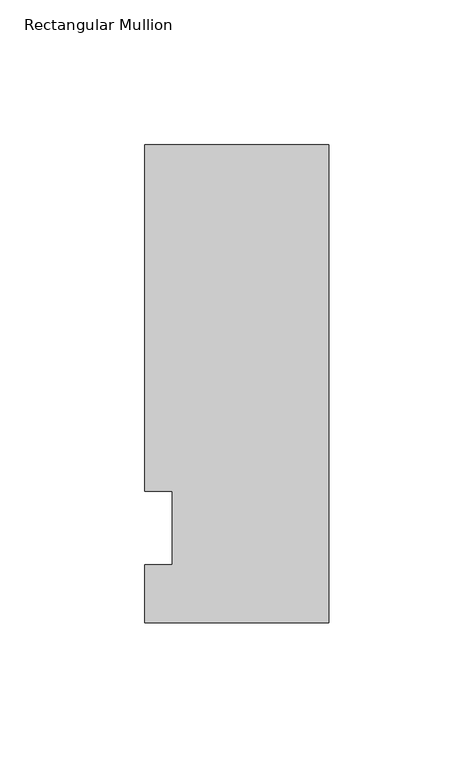
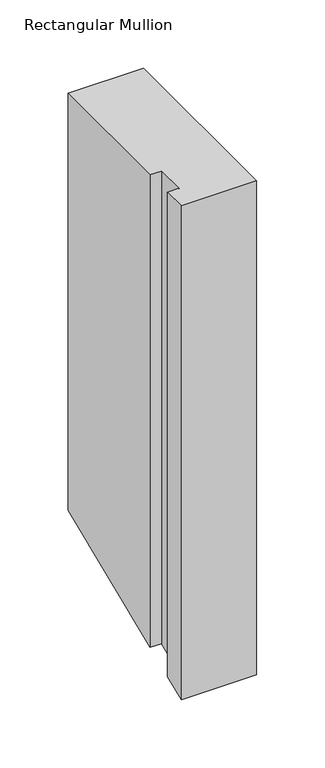
"""IFC4 building model written with IfcOpenShell, lengths in millimetres: member geometry, Rectangular Mullion."""

from ifc_helpers import new_model, si_unit, origin, place, context, project, spatial, faceted_brep, source, transform, mapped, element, save


def rectangular_mullion_c353b2a0(model_context):
    return source(origin(), model_context, "Body", "Brep", [
        faceted_brep([(0.0, -20.0421875, 0.0), (-63.5, -20.0421875, 0.0), (-63.5, -20.0421875, -440.1017459), (0.0, -20.0421875, -440.1017459), (0.0, 145.0578125, 0.0), (0.0, 145.0578125, -371.7150867), (-63.5, 145.0578125, 0.0), (-63.5, 145.0578125, -371.7150867), (-63.5, 25.4, 0.0), (-63.5, 25.4, -421.2789755), (-53.975, 25.4, 0.0), (-53.975, 25.4, -421.2789755), (-53.975, 0.0, 0.0), (-53.975, 0.0, -431.8), (-63.5, 0.0, 0.0), (-63.5, 0.0, -431.8)], [[[0, 1, 2, 3]], [[4, 0, 3, 5]], [[6, 4, 5, 7]], [[8, 6, 7, 9]], [[10, 8, 9, 11]], [[12, 10, 11, 13]], [[14, 12, 13, 15]], [[1, 14, 15, 2]], [[1, 0, 4, 6, 8, 10, 12, 14]], [[2, 15, 13, 11, 9, 7, 5, 3]]]),
    ])


if __name__ == "__main__":
    model = new_model("IFC4")
    model_context = context("Model", 3, world=origin())
    ifc_project = project(units=[si_unit("LENGTHUNIT", "METRE", prefix="MILLI")], contexts=[model_context])
    site = spatial("IfcSite", under=ifc_project)
    building = spatial("IfcBuilding", under=site)
    placement = place(None, origin())
    rectangular_mullion_shape = rectangular_mullion_c353b2a0(model_context)
    element("IfcMember", 1, ObjectType="Rectangular Mullion", at=placement, inside=building, context=model_context, shape_type="MappedRepresentation", body=[
        mapped(rectangular_mullion_shape, transform((0.0, 0.0, 0.0), x_axis=(1.0, 0.0, 0.0), y_axis=(0.0, 1.0, 0.0), z_axis=(0.0, 0.0, 1.0))),
    ])
    save(model, "model.ifc")
